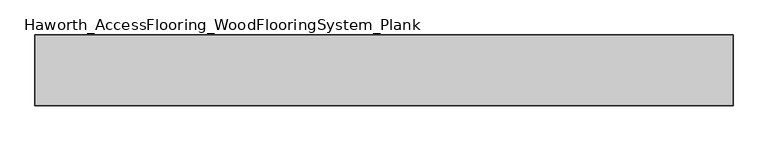
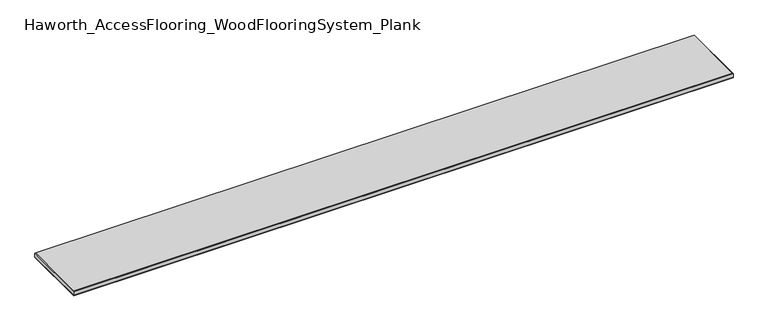
"""IFC4 building model written with IfcOpenShell, lengths in millimetres: proxy geometry, Haworth_AccessFlooring_WoodFlooringSystem_Plank."""

from ifc_helpers import new_model, si_unit, frame, origin, place, context, project, spatial, polyline, outline, extrude, faceted_brep, source, transform, mapped, element, save


def haworth_accessflooring_woodflooringsystem_plank_f754815b(model_context):
    return source(origin(), model_context, "Body", "SolidModel", [
        extrude(outline(polyline([(1084.6800542, 109.9839844), (1084.6800542, -109.9839844), (-1084.6800542, -109.9839844), (-1084.6800542, 109.9839844), (1084.6800542, 109.9839844)])), frame((0.0, 0.0, -15.875), z_axis=(0.0, 0.0, 1.0), x_axis=(1.0, 0.0, 0.0)), (0.0, 0.0, 1.0), 0.9921875),
        faceted_brep([(1084.6800542, 109.9839844, -14.8828125), (1084.6800542, -109.9839844, -14.8828125), (-1084.6800542, -109.9839844, -14.8828125), (-1084.6800542, 109.9839844, -14.8828125), (-1084.6800542, 109.9839844, -1.5875), (1084.6800542, 109.9839844, -1.5875), (-1084.6800542, -109.9839844, -1.5875), (1084.6800542, -109.9839844, -1.5875), (1083.0925542, 108.3964844, 0.0), (-1083.0925542, 108.3964844, 0.0), (-1083.0925542, -108.3964844, 0.0), (1083.0925542, -108.3964844, 0.0)], [[[0, 1, 2, 3]], [[0, 3, 4, 5]], [[3, 2, 6, 4]], [[2, 1, 7, 6]], [[1, 0, 5, 7]], [[8, 9, 10, 11]], [[9, 8, 5, 4]], [[10, 9, 4, 6]], [[11, 10, 6, 7]], [[8, 11, 7, 5]]]),
    ])


if __name__ == "__main__":
    model = new_model("IFC4")
    model_context = context("Model", 3, world=origin())
    ifc_project = project(units=[si_unit("LENGTHUNIT", "METRE", prefix="MILLI")], contexts=[model_context])
    site = spatial("IfcSite", under=ifc_project)
    building = spatial("IfcBuilding", under=site)
    placement = place(None, origin())
    haworth_accessflooring_woodflooringsystem_plank_shape = haworth_accessflooring_woodflooringsystem_plank_f754815b(model_context)
    element("IfcBuildingElementProxy", 1, Name="Haworth_AccessFlooring_WoodFlooringSystem_Plank", ObjectType="Haworth_AccessFlooring_WoodFlooringSystem_Plank", at=placement, inside=building, context=model_context, shape_type="MappedRepresentation", body=[
        mapped(haworth_accessflooring_woodflooringsystem_plank_shape, transform((0.0, 0.0, 0.0), x_axis=(1.0, 0.0, 0.0), y_axis=(0.0, 1.0, 0.0), z_axis=(0.0, 0.0, 1.0))),
    ])
    save(model, "model.ifc")
